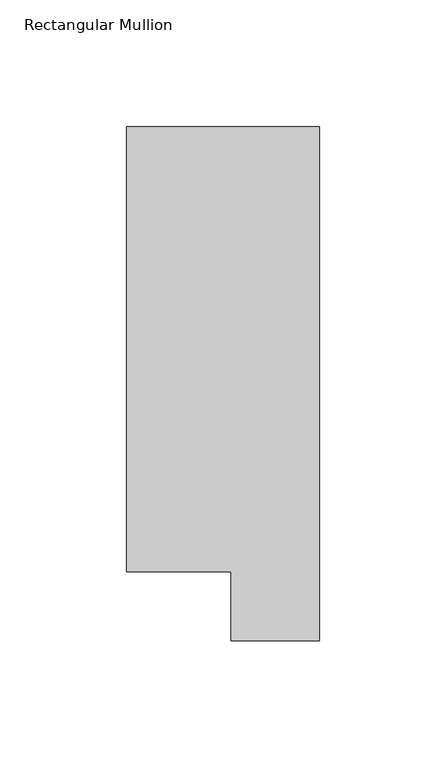
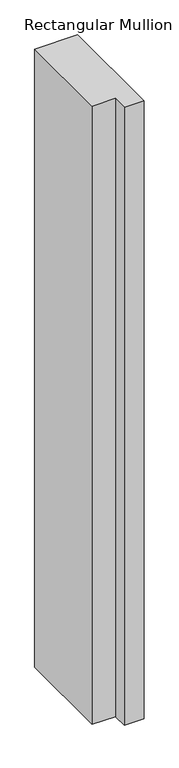
"""IFC4 building model written with IfcOpenShell, lengths in millimetres: member geometry, Rectangular Mullion."""

from ifc_helpers import new_model, si_unit, frame, origin, place, context, project, spatial, polyline, outline, extrude, source, transform, mapped, element, save


def rectangular_mullion_b47aeffd(model_context):
    return source(origin(), model_context, "Body", "SweptSolid", [
        extrude(outline(polyline([(0.0, 222.5381312), (0.0, 19.5667312), (-34.9123, 19.5667312), (-34.9123, 46.7447302), (-76.2, 46.7447302), (-76.2, 222.5381312), (0.0, 222.5381312)])), frame((0.0, 0.0, -1155.6999998), z_axis=(0.0, 0.0, 1.0), x_axis=(1.0, 0.0, 0.0)), (0.0, 0.0, 1.0), 1155.6999998),
    ])


if __name__ == "__main__":
    model = new_model("IFC4")
    model_context = context("Model", 3, world=origin())
    ifc_project = project(units=[si_unit("LENGTHUNIT", "METRE", prefix="MILLI")], contexts=[model_context])
    site = spatial("IfcSite", under=ifc_project)
    building = spatial("IfcBuilding", under=site)
    placement = place(None, origin())
    rectangular_mullion_shape = rectangular_mullion_b47aeffd(model_context)
    element("IfcMember", 1, ObjectType="Rectangular Mullion", at=placement, inside=building, context=model_context, shape_type="MappedRepresentation", body=[
        mapped(rectangular_mullion_shape, transform((0.0, 0.0, 0.0), x_axis=(1.0, 0.0, 0.0), y_axis=(0.0, 1.0, 0.0), z_axis=(0.0, 0.0, 1.0))),
    ])
    save(model, "model.ifc")
